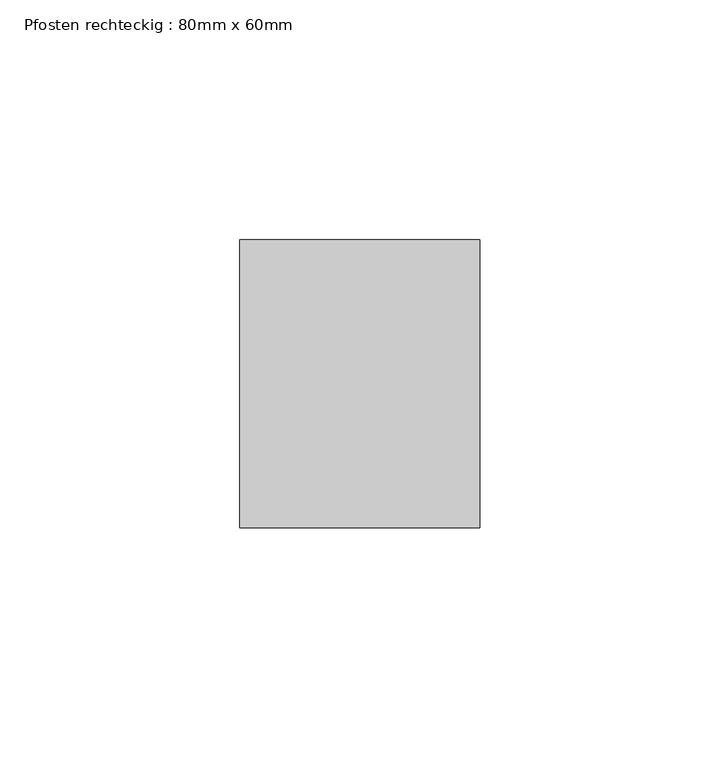
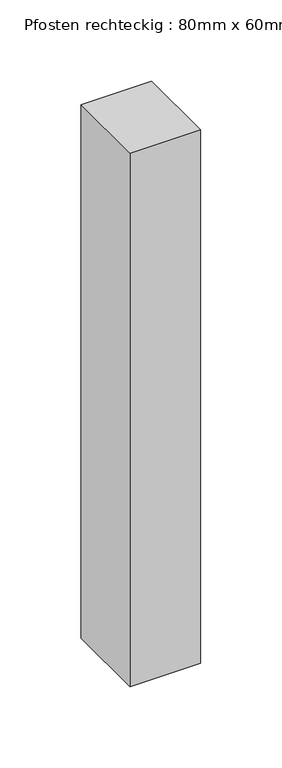
"""IFC4 building model written with IfcOpenShell, lengths in millimetres: member geometry, Pfosten rechteckig : 80mm x 60mm."""

from ifc_helpers import new_model, si_unit, frame, origin, place, context, project, spatial, polyline, outline, extrude, source, transform, mapped, element, save


def pfosten_rechteckig_80mm_x_60mm_8576b1eb(model_context):
    return source(origin(), model_context, "Body", "SweptSolid", [
        extrude(outline(polyline([(25.0, 30.0), (25.0, -30.0), (-25.0, -30.0), (-25.0, 30.0), (25.0, 30.0)])), frame((0.0, 0.0, -400.0), z_axis=(0.0, 0.0, 1.0), x_axis=(1.0, 0.0, 0.0)), (0.0, 0.0, 1.0), 400.0),
    ])


if __name__ == "__main__":
    model = new_model("IFC4")
    model_context = context("Model", 3, world=origin())
    ifc_project = project(units=[si_unit("LENGTHUNIT", "METRE", prefix="MILLI")], contexts=[model_context])
    site = spatial("IfcSite", under=ifc_project)
    building = spatial("IfcBuilding", under=site)
    placement = place(None, origin())
    pfosten_rechteckig_80mm_x_60mm_shape = pfosten_rechteckig_80mm_x_60mm_8576b1eb(model_context)
    element("IfcMember", 1, ObjectType="Pfosten rechteckig : 80mm x 60mm", at=placement, inside=building, context=model_context, shape_type="MappedRepresentation", body=[
        mapped(pfosten_rechteckig_80mm_x_60mm_shape, transform((0.0, 0.0, 0.0), x_axis=(1.0, 0.0, 0.0), y_axis=(0.0, 1.0, 0.0), z_axis=(0.0, 0.0, 1.0))),
    ])
    save(model, "model.ifc")
